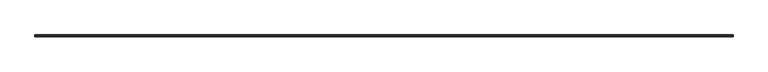
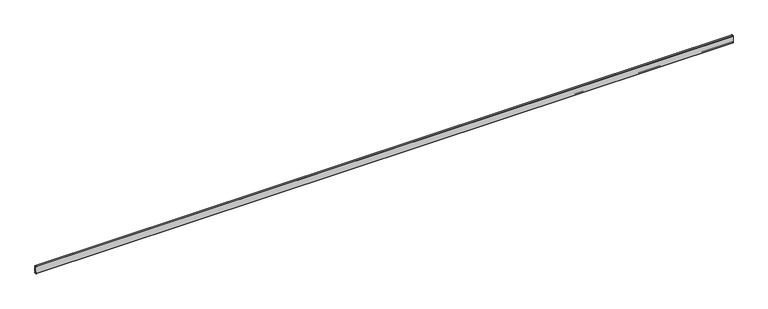
"""IFC4 building model written with IfcOpenShell, lengths in millimetres: railing geometry."""

import ifcopenshell
import ifcopenshell.guid

model = None  # the IFC model being written
_history = None  # IfcOwnerHistory: only IFC2X3 demands one
_inside = {}  # id of a spatial element -> (the spatial element, [elements in it])
_under = {}  # id of a project, library or spatial element -> (it, [spatial elements below it])
_declared = {}  # id of a project -> (the project, [libraries it declares])
_typed = {}  # id of a type object -> (the type object, [elements of that type])
_made_of = {}  # id of a material, layer set ... -> (it, [elements and type objects made of it])


def new_model(schema):
    """Start an empty IFC model of exactly this schema.

    Asked for "IFC4X3", IfcOpenShell would pick the latest addendum, in which some entities
    have other attributes; the version numbers below select the first issue.
    IFC2X3 requires an IfcOwnerHistory on every rooted entity: one is made here for all.
    """
    global model, _history
    if schema == "IFC4X3":
        model = ifcopenshell.file(schema_version=(4, 3, 0, 0))
    else:
        model = ifcopenshell.file(schema=schema)
    _inside.clear()
    _under.clear()
    _declared.clear()
    _typed.clear()
    _made_of.clear()
    _history = None
    if model.schema == "IFC2X3":
        org = make("IfcOrganization", Name="unknown")
        user = make(
            "IfcPersonAndOrganization",
            ThePerson=make("IfcPerson", FamilyName="unknown"),
            TheOrganization=org,
        )
        app = make(
            "IfcApplication",
            ApplicationDeveloper=org,
            Version="unknown",
            ApplicationFullName="unknown",
            ApplicationIdentifier="unknown",
        )
        _history = make(
            "IfcOwnerHistory",
            OwningUser=user,
            OwningApplication=app,
            ChangeAction="ADDED",
            CreationDate=0,
        )
    return model


def make(cls, **values):
    """One entity of the class cls with the attributes given. An attribute that is None is left unset."""
    return model.create_entity(
        cls, **{name: value for name, value in values.items() if value is not None}
    )


def rooted(cls, **values):
    """An entity with a GlobalId (a new one), such as an element, a storey or a relation."""
    return make(cls, GlobalId=ifcopenshell.guid.new(), OwnerHistory=_history, **values)


def si_unit(unit_type, name, prefix=None):
    """IfcSIUnit, for example si_unit("LENGTHUNIT", "METRE", prefix="MILLI")."""
    return make("IfcSIUnit", UnitType=unit_type, Prefix=prefix, Name=name)


def assignment(units):
    """IfcUnitAssignment: the units of a project."""
    return None if units is None else make("IfcUnitAssignment", Units=units)


def point(xyz):
    """IfcCartesianPoint."""
    return None if xyz is None else make("IfcCartesianPoint", Coordinates=xyz)


def direction(xyz):
    """IfcDirection."""
    return None if xyz is None else make("IfcDirection", DirectionRatios=xyz)


def frame(location, z_axis=None, x_axis=None):
    """IfcAxis2Placement3D, a coordinate frame: its origin and axes. An axis left out is left unset."""
    return make(
        "IfcAxis2Placement3D",
        Location=point(location),
        Axis=direction(z_axis),
        RefDirection=direction(x_axis),
    )


def frame_2d(location, x_axis=None):
    """IfcAxis2Placement2D, a coordinate frame in the plane: its origin and x axis."""
    return make(
        "IfcAxis2Placement2D", Location=point(location), RefDirection=direction(x_axis)
    )


def origin():
    """The frame at (0, 0, 0) with its axes left unset."""
    return frame((0.0, 0.0, 0.0))


def place(relative_to, where):
    """IfcLocalPlacement: puts the frame where relative to a parent placement (None: the world)."""
    return make(
        "IfcLocalPlacement", PlacementRelTo=relative_to, RelativePlacement=where
    )


def context(
    kind, dimensions, precision=None, world=None, true_north=None, identifier=None
):
    """IfcGeometricRepresentationContext, for example the 3D "Model" context."""
    return make(
        "IfcGeometricRepresentationContext",
        ContextIdentifier=identifier,
        ContextType=kind,
        CoordinateSpaceDimension=dimensions,
        Precision=precision,
        WorldCoordinateSystem=world,
        TrueNorth=true_north,
    )


def project(units=None, contexts=None):
    """IfcProject with its units and contexts."""
    return rooted(
        "IfcProject",
        Name="project",
        RepresentationContexts=contexts,
        UnitsInContext=assignment(units),
    )


def spatial(cls, under=None, at=None, **own):
    """A site, building, storey or space (cls), placed at a placement, below another one or the project."""
    s = rooted(cls, ObjectPlacement=at, **own)
    if under is not None:
        _under.setdefault(under.id(), (under, []))[1].append(s)
    return s


def polyline(points):
    """IfcPolyline through the points."""
    return make("IfcPolyline", Points=[point(p) for p in points])


def circle_curve(where, radius):
    """IfcCircle in the frame where."""
    return make("IfcCircle", Position=where, Radius=radius)


def trimmed(basis, trim1, trim2, sense, master):
    """IfcTrimmedCurve: the piece of a basis curve between two trims."""
    return make(
        "IfcTrimmedCurve",
        BasisCurve=basis,
        Trim1=trim1,
        Trim2=trim2,
        SenseAgreement=sense,
        MasterRepresentation=master,
    )


def segment(curve, same_sense, transition):
    """IfcCompositeCurveSegment."""
    return make(
        "IfcCompositeCurveSegment",
        Transition=transition,
        SameSense=same_sense,
        ParentCurve=curve,
    )


def composite_curve(segments, self_intersect=None):
    """IfcCompositeCurve: segments joined end to end."""
    return make("IfcCompositeCurve", Segments=segments, SelfIntersect=self_intersect)


def outline(outer, holes=None, kind="AREA"):
    """IfcArbitraryClosedProfileDef: a profile drawn as a closed curve; with holes, ...WithVoids."""
    if holes is None:
        return make("IfcArbitraryClosedProfileDef", ProfileType=kind, OuterCurve=outer)
    return make(
        "IfcArbitraryProfileDefWithVoids",
        ProfileType=kind,
        OuterCurve=outer,
        InnerCurves=holes,
    )


def extrude(swept, where, along, depth):
    """IfcExtrudedAreaSolid: the profile swept, set in the frame where, extruded along a direction by depth."""
    return make(
        "IfcExtrudedAreaSolid",
        SweptArea=swept,
        Position=where,
        ExtrudedDirection=direction(along),
        Depth=depth,
    )


def shape(context_of_items, identifier, shape_type, items):
    """IfcShapeRepresentation: the items that make up one representation, for example the "Body"."""
    return make(
        "IfcShapeRepresentation",
        ContextOfItems=context_of_items,
        RepresentationIdentifier=identifier,
        RepresentationType=shape_type,
        Items=items,
    )


def source(mapping_origin, context_of_items, identifier, shape_type, items):
    """IfcRepresentationMap: a shape defined once, which mapped items show again and again."""
    return make(
        "IfcRepresentationMap",
        MappingOrigin=mapping_origin,
        MappedRepresentation=shape(context_of_items, identifier, shape_type, items),
    )


def transform(
    local_origin,
    x_axis=None,
    y_axis=None,
    z_axis=None,
    scale=None,
    scale2=None,
    scale3=None,
    uniform=True,
):
    """IfcCartesianTransformationOperator3D, or its non-uniform kind. x_axis, y_axis, z_axis: its Axis1, 2, 3."""
    if uniform:
        return make(
            "IfcCartesianTransformationOperator3D",
            Axis1=direction(x_axis),
            Axis2=direction(y_axis),
            LocalOrigin=point(local_origin),
            Scale=scale,
            Axis3=direction(z_axis),
        )
    return make(
        "IfcCartesianTransformationOperator3DnonUniform",
        Axis1=direction(x_axis),
        Axis2=direction(y_axis),
        LocalOrigin=point(local_origin),
        Scale=scale,
        Axis3=direction(z_axis),
        Scale2=scale2,
        Scale3=scale3,
    )


def mapped(mapping_source, mapping_target):
    """IfcMappedItem: shows the shape of a source again, moved by a transform."""
    return make(
        "IfcMappedItem", MappingSource=mapping_source, MappingTarget=mapping_target
    )


def made_of(thing, what):
    """Note that an element or type object is made of a material, layer set ...; save() writes the relation."""
    if what is not None:
        _made_of.setdefault(what.id(), (what, []))[1].append(thing)
    return thing


def element(
    cls,
    number,
    at=None,
    inside=None,
    cuts=None,
    type_object=None,
    material=None,
    context=None,
    identifier="Body",
    shape_type=None,
    held_by="IfcProductDefinitionShape",
    body=None,
    shapes=None,
    **own,
):
    """One element of the class cls, such as IfcWall. Its Tag is "e" and its number.

    at: its placement. inside: the storey or other place that contains it. cuts: it is an
    opening in that element (IfcRelVoidsElement). A single representation is given by context,
    identifier, shape_type and body (its items); several are given by shapes. held_by: the class
    of the entity that holds the representations. save() writes the other relations.
    """
    e = rooted(cls, Tag="e%d" % number, ObjectPlacement=at, **own)
    if body is not None:
        shapes = [shape(context, identifier, shape_type, body)]
    if shapes is not None:
        e.Representation = make(held_by, Representations=shapes)
    if inside is not None:
        _inside.setdefault(inside.id(), (inside, []))[1].append(e)
    if cuts is not None:
        rooted(
            "IfcRelVoidsElement", RelatingBuildingElement=cuts, RelatedOpeningElement=e
        )
    if type_object is not None:
        _typed.setdefault(type_object.id(), (type_object, []))[1].append(e)
    return made_of(e, material)


def aggregate(whole, parts):
    """IfcRelAggregates: a whole, such as a stair, and the parts it consists of."""
    return rooted("IfcRelAggregates", RelatingObject=whole, RelatedObjects=parts)


def save(model, path):
    """Write the relations noted so far, then the file.

    IfcRelAggregates (storeys below a building ...), IfcRelContainedInSpatialStructure (elements
    in a storey), IfcRelDefinesByType, IfcRelAssociatesMaterial and IfcRelDeclares: one each for
    every whole, place, type object, material and project.
    """
    for whole, parts in _under.values():
        aggregate(whole, parts)
    for where, things in _inside.values():
        rooted(
            "IfcRelContainedInSpatialStructure",
            RelatedElements=things,
            RelatingStructure=where,
        )
    for kind, things in _typed.values():
        rooted("IfcRelDefinesByType", RelatedObjects=things, RelatingType=kind)
    for what, things in _made_of.values():
        rooted("IfcRelAssociatesMaterial", RelatedObjects=things, RelatingMaterial=what)
    for by, libraries in _declared.values():
        rooted("IfcRelDeclares", RelatingContext=by, RelatedDefinitions=libraries)
    model.write(path)


def railing_d2ee5116(model_context):
    return source(origin(), model_context, "Body", "SweptSolid", [
        extrude(outline(composite_curve([segment(trimmed(circle_curve(frame_2d((56324.3766023, 670.2563746)), 2.5), [point((56325.0232755, 672.6712894))], [point((56326.8766023, 670.2563746))], False, "CARTESIAN"), True, "CONTINUOUS"), segment(polyline([(56326.8766023, 670.2563746), (56326.8766023, 665.2)]), True, "CONTINUOUS"), segment(trimmed(circle_curve(frame_2d((56326.3766023, 665.2)), 0.5), [point((56326.8766023, 665.2))], [point((56326.3766023, 664.7))], False, "CARTESIAN"), True, "CONTINUOUS"), segment(polyline([(56326.3766023, 664.7), (56324.8766023, 664.7)]), True, "CONTINUOUS"), segment(trimmed(circle_curve(frame_2d((56324.8766023, 664.2)), 0.5), [point((56324.8766023, 664.7))], [point((56324.3766023, 664.2))], True, "CARTESIAN"), True, "CONTINUOUS"), segment(polyline([(56324.3766023, 664.2), (56324.3766023, 565.2)]), True, "CONTINUOUS"), segment(trimmed(circle_curve(frame_2d((56324.8766023, 565.2)), 0.5), [point((56324.3766023, 565.2))], [point((56324.8766023, 564.7))], True, "CARTESIAN"), True, "CONTINUOUS"), segment(polyline([(56324.8766023, 564.7), (56326.3766023, 564.7)]), True, "CONTINUOUS"), segment(trimmed(circle_curve(frame_2d((56326.3766023, 564.2)), 0.5), [point((56326.3766023, 564.7))], [point((56326.8766023, 564.2))], False, "CARTESIAN"), True, "CONTINUOUS"), segment(polyline([(56326.8766023, 564.2), (56326.8766023, 559.1436254)]), True, "CONTINUOUS"), segment(trimmed(circle_curve(frame_2d((56324.3766023, 559.1436254)), 2.5), [point((56326.8766023, 559.1436254))], [point((56325.0232755, 556.7287106))], False, "CARTESIAN"), True, "CONTINUOUS"), segment(polyline([(56325.0232755, 556.7287106), (56317.3766023, 553.6269152), (56317.3766023, 533.7571866), (56321.9997715, 530.779991), (56325.3766023, 527.4031602), (56325.3766023, 520.7)]), True, "CONTINUOUS"), segment(trimmed(circle_curve(frame_2d((56322.8766023, 520.7)), 2.5), [point((56325.3766023, 520.7))], [point((56322.8766023, 518.2))], False, "CARTESIAN"), True, "CONTINUOUS"), segment(polyline([(56322.8766023, 518.2), (56277.8766023, 518.2)]), True, "CONTINUOUS"), segment(trimmed(circle_curve(frame_2d((56277.8766023, 518.7)), 0.5), [point((56277.8766023, 518.2))], [point((56277.3766023, 518.7))], False, "CARTESIAN"), True, "CONTINUOUS"), segment(polyline([(56277.3766023, 518.7), (56277.3766023, 710.7)]), True, "CONTINUOUS"), segment(trimmed(circle_curve(frame_2d((56277.8766023, 710.7)), 0.5), [point((56277.3766023, 710.7))], [point((56277.8766023, 711.2))], False, "CARTESIAN"), True, "CONTINUOUS"), segment(polyline([(56277.8766023, 711.2), (56322.8766023, 711.2)]), True, "CONTINUOUS"), segment(trimmed(circle_curve(frame_2d((56322.8766023, 708.7)), 2.5), [point((56322.8766023, 711.2))], [point((56325.3766023, 708.7))], False, "CARTESIAN"), True, "CONTINUOUS"), segment(polyline([(56325.3766023, 708.7), (56325.3766023, 702.047237)]), True, "CONTINUOUS"), segment(trimmed(circle_curve(frame_2d((56322.8766023, 702.047237)), 2.5), [point((56325.3766023, 702.047237))], [point((56323.6108271, 699.6574851))], False, "CARTESIAN"), True, "CONTINUOUS"), segment(polyline([(56323.6108271, 699.6574851), (56317.3766023, 695.5999086), (56317.3766023, 675.7698821), (56325.0232755, 672.6712894)]), True, "CONTINUOUS")], self_intersect=False)), frame((31170.4663719, 0.0, 0.0), z_axis=(1.0, 0.0, 0.0), x_axis=(0.0, 1.0, 0.0)), (0.0, 0.0, 1.0), 18288.0),
    ])


if __name__ == "__main__":
    model = new_model("IFC4")
    model_context = context("Model", 3, world=origin())
    ifc_project = project(units=[si_unit("LENGTHUNIT", "METRE", prefix="MILLI")], contexts=[model_context])
    site = spatial("IfcSite", under=ifc_project)
    building = spatial("IfcBuilding", under=site)
    placement = place(None, origin())
    railing_shape = railing_d2ee5116(model_context)
    element("IfcRailing", 1, at=placement, inside=building, context=model_context, shape_type="MappedRepresentation", body=[
        mapped(railing_shape, transform((0.0, 0.0, 0.0), x_axis=(1.0, 0.0, 0.0), y_axis=(0.0, 1.0, 0.0), z_axis=(0.0, 0.0, 1.0))),
    ])
    save(model, "model.ifc")
